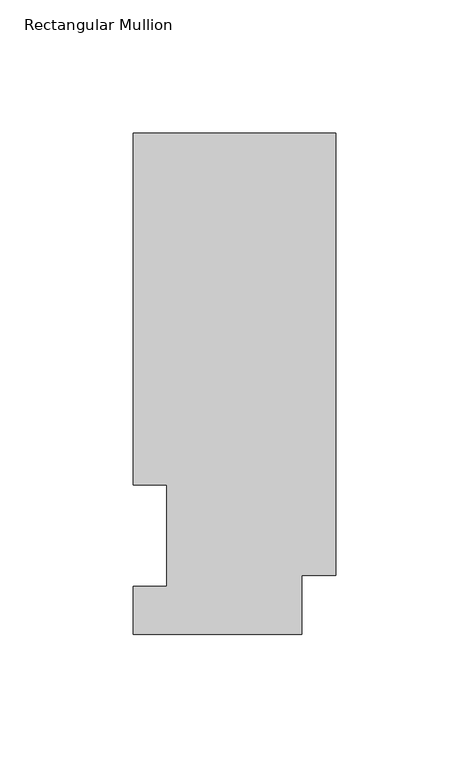
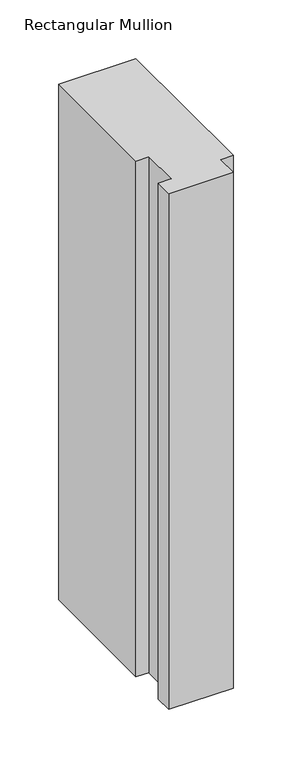
"""IFC4 building model written with IfcOpenShell, lengths in millimetres: member geometry, Rectangular Mullion."""

from ifc_helpers import new_model, si_unit, frame, origin, place, context, project, spatial, polyline, outline, extrude, source, transform, mapped, element, save


def rectangular_mullion_6d4840ad(model_context):
    return source(origin(), model_context, "Body", "SweptSolid", [
        extrude(outline(polyline([(-76.2, 189.0897822), (0.0, 189.0897822), (0.0, 22.6195299), (-12.7, 22.6195299), (-12.7, 0.5199062), (-76.2, 0.5199062), (-76.2, 18.5539063), (-63.5762, 18.5539063), (-63.5762, 56.6539062), (-76.2, 56.6539062), (-76.2, 189.0897822)])), frame((0.0, 0.0, -538.1612992), z_axis=(0.0, 0.0, 1.0), x_axis=(1.0, 0.0, 0.0)), (0.0, 0.0, 1.0), 538.1612992),
    ])


if __name__ == "__main__":
    model = new_model("IFC4")
    model_context = context("Model", 3, world=origin())
    ifc_project = project(units=[si_unit("LENGTHUNIT", "METRE", prefix="MILLI")], contexts=[model_context])
    site = spatial("IfcSite", under=ifc_project)
    building = spatial("IfcBuilding", under=site)
    placement = place(None, origin())
    rectangular_mullion_shape = rectangular_mullion_6d4840ad(model_context)
    element("IfcMember", 1, ObjectType="Rectangular Mullion", at=placement, inside=building, context=model_context, shape_type="MappedRepresentation", body=[
        mapped(rectangular_mullion_shape, transform((0.0, 0.0, 0.0), x_axis=(1.0, 0.0, 0.0), y_axis=(0.0, 1.0, 0.0), z_axis=(0.0, 0.0, 1.0))),
    ])
    save(model, "model.ifc")
